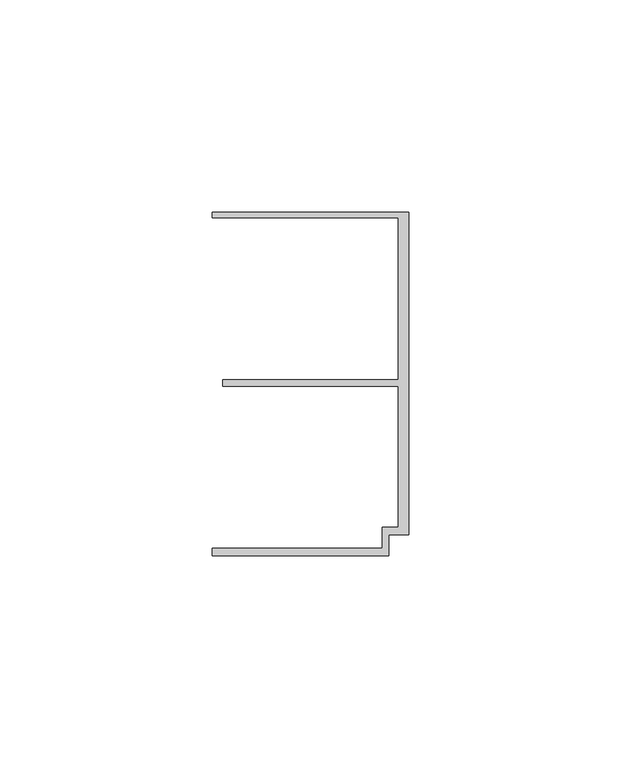
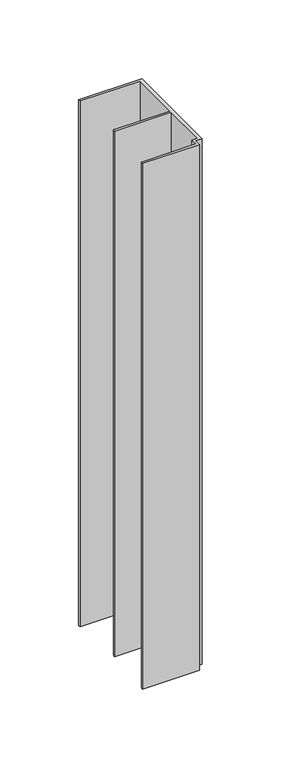
"""IFC4 building model written with IfcOpenShell, lengths in millimetres: member geometry."""

from ifc_helpers import new_model, si_unit, frame, origin, place, context, project, spatial, polyline, outline, extrude, source, transform, mapped, element, save


def member_41836e85(model_context):
    return source(origin(), model_context, "Body", "SweptSolid", [
        extrude(outline(polyline([(-6.2, -33.95), (-2.4, -33.95), (-2.4, -0.75), (-43.8, -0.75), (-43.8, 0.75), (-2.4, 0.75), (-2.4, 38.95), (-46.3, 38.95), (-46.3, 40.25), (0.0, 40.25), (0.0, -35.75), (-4.6999992, -35.75), (-4.6999992, -40.65), (-46.3, -40.65), (-46.3, -38.95), (-6.2, -38.95), (-6.2, -33.95)])), frame((0.0, 0.0, -406.1356516), z_axis=(0.0, 0.0, 1.0), x_axis=(1.0, 0.0, 0.0)), (0.0, 0.0, 1.0), 406.1356516),
    ])


if __name__ == "__main__":
    model = new_model("IFC4")
    model_context = context("Model", 3, world=origin())
    ifc_project = project(units=[si_unit("LENGTHUNIT", "METRE", prefix="MILLI")], contexts=[model_context])
    site = spatial("IfcSite", under=ifc_project)
    building = spatial("IfcBuilding", under=site)
    placement = place(None, origin())
    member_shape = member_41836e85(model_context)
    element("IfcMember", 1, at=placement, inside=building, context=model_context, shape_type="MappedRepresentation", body=[
        mapped(member_shape, transform((0.0, 0.0, 0.0), x_axis=(1.0, 0.0, 0.0), y_axis=(0.0, 1.0, 0.0), z_axis=(0.0, 0.0, 1.0))),
    ])
    save(model, "model.ifc")
